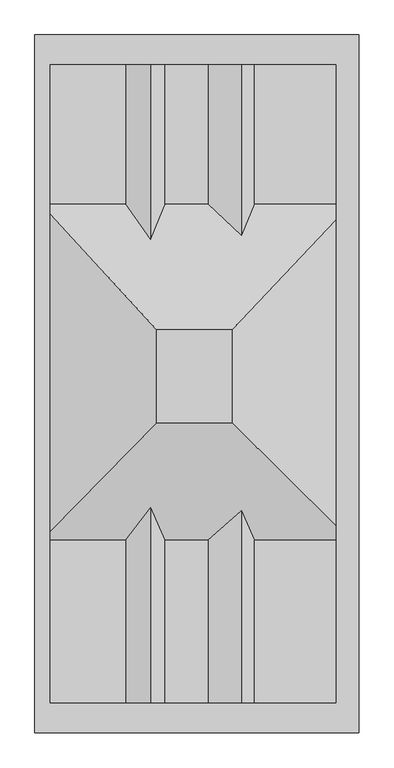
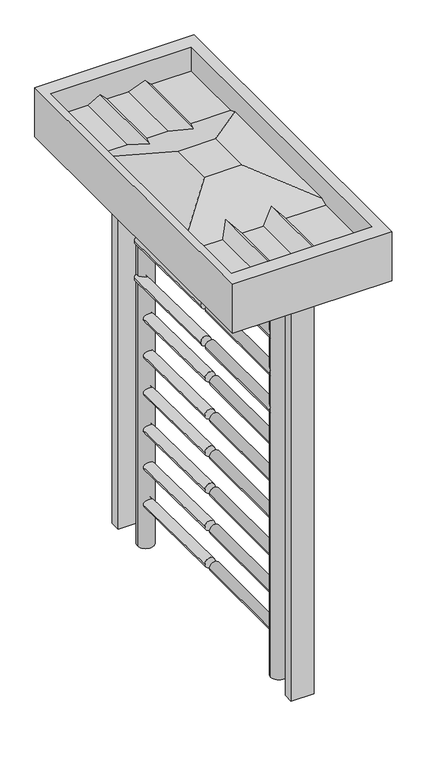
"""IFC4 building model written with IfcOpenShell, lengths in millimetres: proxy geometry."""

from ifc_helpers import new_model, si_unit, point, frame, frame_2d, origin, origin_with_axes, place, context, project, spatial, polyline, circle_curve, trimmed, segment, composite_curve, outline, extrude, source, transform, mapped, element, save
from ifc_brep_helpers import plane_surface, cylinder_surface, advanced_brep


def generic_models_b9513b3f(model_context):
    return source(origin(), model_context, "Body", "SolidModel", [
        extrude(outline(composite_curve([segment(trimmed(circle_curve(frame_2d((0.5937534, -554.7093835)), 40.0), [point((-39.4062466, -554.7093835))], [point((40.5937534, -554.7093835))], False, "CARTESIAN"), True, "CONTINUOUS"), segment(trimmed(circle_curve(frame_2d((0.5937534, -554.7093835)), 40.0), [point((40.5937534, -554.7093835))], [point((-39.4062466, -554.7093835))], False, "CARTESIAN"), True, "CONTINUOUS")], self_intersect=False)), origin_with_axes(), (0.0, 0.0, 1.0), 2131.1831142),
        advanced_brep(
        [(-381.7345875, 830.0, 2043.2171828), (389.1548637, 830.0, 2043.2171828), (389.1548637, -829.3360015, 2043.2171828), (-381.7345875, -829.3360015, 2043.2171828), (-44.4062466, 554.7093835, 2043.2171828), (35.5937534, 554.7093835, 2043.2171828), (30.1482628, 759.3664601, 2170.6315169), (-72.2469654, 759.3664601, 2170.6315169), (-72.2469654, 428.2976288, 2170.6315169), (30.1482628, 428.2976288, 2170.6315169), (334.301319, 759.3664601, 2170.6315169), (141.0904765, 759.3664601, 2170.6315169), (141.0904765, 428.2976288, 2170.6315169), (334.301319, 428.2976288, 2170.6315169), (-166.0896514, 759.3664601, 2170.6315169), (-345.7318191, 759.3664601, 2170.6315169), (-345.7318191, 428.2976288, 2170.6315169), (-166.0896514, 428.2976288, 2170.6315169), (141.0904765, -757.2735048, 2170.6315169), (334.301319, -757.2735048, 2170.6315169), (334.301319, -371.7023712, 2170.6315169), (141.0904765, -371.7023712, 2170.6315169), (-72.2469654, -757.2735048, 2170.6315169), (30.1482628, -757.2735048, 2170.6315169), (30.1482628, -371.7023712, 2170.6315169), (-72.2469654, -371.7023712, 2170.6315169), (-345.7318191, -757.2735048, 2170.6315169), (-166.0896514, -757.2735048, 2170.6315169), (-166.0896514, -371.7023712, 2170.6315169), (-345.7318191, -371.7023712, 2170.6315169), (-44.4062466, 554.7093835, 0.0), (35.5937534, 554.7093835, 0.0), (-381.7345875, 830.0, 2293.7454585), (389.1548637, 830.0, 2293.7454585), (389.1548637, -829.3360015, 2293.7454585), (-381.7345875, -829.3360015, 2293.7454585), (-345.7318191, 759.3664601, 2293.7454585), (-345.7318191, -757.2735048, 2293.7454585), (-345.7318191, -350.0629989, 2180.1372213), (-345.7318191, 405.1548387, 2180.1372213), (334.301319, 759.3664601, 2293.7454585), (334.301319, 390.5686753, 2186.1283639), (334.301319, -336.4243917, 2186.1283639), (334.301319, -757.2735048, 2293.7454585), (-106.5957724, 759.3664601, 2204.980324), (-106.5957724, 344.6712924, 2204.980324), (-106.5957724, -757.2735048, 2204.980324), (-106.5957724, -293.5086259, 2204.980324), (110.3166977, 759.3664601, 2201.4052958), (110.3166977, 353.375132, 2201.4052958), (110.3166977, -757.2735048, 2201.4052958), (110.3166977, -301.6470408, 2201.4052958), (87.5853106, 128.5618074, 2293.7454585), (-92.4146894, 128.5618074, 2293.7454585), (-92.4146894, -91.4381926, 2293.7454585), (87.5853106, -91.4381926, 2293.7454585)],
        [
            (0, 1),
            (1, 2),
            (2, 3),
            (3, 0),
            (4, 5, circle_curve(frame((-4.4062466, 554.7093835, 2043.2171828), z_axis=(0.0, 0.0, 1.0), x_axis=(1.0, 0.0, 0.0)), 40.0)),
            (5, 4, circle_curve(frame((-4.4062466, 554.7093835, 2043.2171828), z_axis=(0.0, 0.0, 1.0), x_axis=(1.0, 0.0, 0.0)), 40.0)),
            (6, 7),
            (7, 8),
            (8, 9),
            (9, 6),
            (10, 11),
            (11, 12),
            (12, 13),
            (13, 10),
            (14, 15),
            (15, 16),
            (16, 17),
            (17, 14),
            (18, 19),
            (19, 20),
            (20, 21),
            (21, 18),
            (22, 23),
            (23, 24),
            (24, 25),
            (25, 22),
            (26, 27),
            (27, 28),
            (28, 29),
            (29, 26),
            (30, 31, circle_curve(frame((-4.4062466, 554.7093835, 0.0), z_axis=(0.0, 0.0, -1.0), x_axis=(1.0, 0.0, 0.0)), 40.0)),
            (31, 30, circle_curve(frame((-4.4062466, 554.7093835, 0.0), z_axis=(0.0, 0.0, -1.0), x_axis=(1.0, 0.0, 0.0)), 40.0)),
            (31, 5),
            (4, 30),
            (0, 32),
            (32, 33),
            (33, 1),
            (2, 34),
            (34, 35),
            (35, 3),
            (15, 36),
            (36, 37),
            (37, 26),
            (29, 38),
            (38, 39),
            (39, 16),
            (40, 10),
            (13, 41),
            (41, 42),
            (42, 20),
            (19, 43),
            (43, 40),
            (32, 35),
            (34, 33),
            (36, 40),
            (43, 37),
            (44, 14),
            (17, 45),
            (45, 44),
            (27, 46),
            (46, 47),
            (47, 28),
            (7, 44),
            (45, 8),
            (46, 22),
            (25, 47),
            (48, 6),
            (9, 49),
            (49, 48),
            (23, 50),
            (50, 51),
            (51, 24),
            (11, 48),
            (49, 12),
            (50, 18),
            (21, 51),
            (52, 53),
            (53, 54),
            (54, 55),
            (55, 52),
            (52, 41),
            (39, 53),
            (38, 54),
            (42, 55),
        ],
        [
            plane_surface(frame((-2.4146894, 18.5618074, 2043.2171828), z_axis=(0.0, 0.0, -1.0), x_axis=(-1.0, 0.0, 0.0))),
            plane_surface(frame((1.4506487, 28.2976288, 2170.6315169), z_axis=(0.0, 0.0, 1.0), x_axis=(-1.0, 0.0, 0.0))),
            plane_surface(frame((35.5937534, 554.7093835, 0.0), z_axis=(0.0, 0.0, -1.0), x_axis=(0.0, -1.0, 0.0))),
            cylinder_surface(frame((-4.4062466, 554.7093835, 0.0), z_axis=(0.0, 0.0, 1.0), x_axis=(1.0, 0.0, 0.0)), 40.0),
            plane_surface(frame((-345.7318191, 830.0, 2206.2197665), z_axis=(0.0, 1.0, 0.0), x_axis=(0.0, 0.0, -1.0))),
            plane_surface(frame((-345.7318191, -829.3360015, 2206.2197665), z_axis=(0.0, -1.0, 0.0), x_axis=(0.0, 0.0, 1.0))),
            plane_surface(frame((-345.7318191, 830.0, 2293.7454585), z_axis=(1.0, 0.0, 0.0), x_axis=(0.0, -1.0, 0.0))),
            plane_surface(frame((334.301319, 830.0, 2170.6315169), z_axis=(-1.0, 0.0, 0.0), x_axis=(0.0, -1.0, 0.0))),
            plane_surface(frame((334.301319, 830.0, 2293.7454585), z_axis=(0.0, 0.0, 1.0), x_axis=(0.0, -1.0, 0.0))),
            plane_surface(frame((389.1548637, 830.0, 2293.7454585), z_axis=(1.0, 0.0, 0.0), x_axis=(0.0, -1.0, 0.0))),
            plane_surface(frame((-381.7345875, 830.0, 2043.2171828), z_axis=(-1.0, 0.0, 0.0), x_axis=(0.0, -1.0, 0.0))),
            plane_surface(frame((-166.0896514, 830.0, 2170.6315169), z_axis=(-0.5000000000000061, 0.0, 0.8660254037844352), x_axis=(0.0, -1.0, 0.0))),
            plane_surface(frame((-106.5957724, 830.0, 2204.980324), z_axis=(0.7071067811865477, 0.0, 0.7071067811865474), x_axis=(0.0, -1.0, 0.0))),
            plane_surface(frame((30.1482628, 830.0, 2170.6315169), z_axis=(-0.3583679495453043, 0.0, 0.9335804264972002), x_axis=(0.0, -1.0, 0.0))),
            plane_surface(frame((110.3166977, 830.0, 2201.4052958), z_axis=(0.7071067811865452, 0.0, 0.7071067811865499), x_axis=(0.0, -1.0, 0.0))),
            plane_surface(frame((-381.7345875, 759.3664601, 2293.7454585), z_axis=(0.0, -1.0, 0.0), x_axis=(0.0, 0.0, -1.0))),
            plane_surface(frame((389.1548637, -757.2735048, 2293.7454585), z_axis=(0.0, 1.0, 0.0), x_axis=(0.0, 0.0, -1.0))),
            plane_surface(frame((-2.4146894, 18.5618074, 2293.7454585), z_axis=(0.0, 0.0, 1.0), x_axis=(-1.0, 0.0, 0.0))),
            plane_surface(frame((1.4506487, 428.2976288, 2170.6315169), z_axis=(0.0, 0.37994039566450644, 0.9250109706064563), x_axis=(-1.0, 0.0, 0.0))),
            plane_surface(frame((-366.9270933, 28.2976288, 2170.6315169), z_axis=(-0.4092127068589752, 0.0, 0.9124390174390563), x_axis=(0.0, -1.0, 0.0))),
            plane_surface(frame((1.4506487, -371.7023712, 2170.6315169), z_axis=(0.0, -0.4021848729510521, 0.9155584787272445), x_axis=(1.0, 0.0, 0.0))),
            plane_surface(frame((369.8283908, 28.2976288, 2170.6315169), z_axis=(0.3998171186197385, 0.0, 0.9165949332494753), x_axis=(0.0, 1.0, 0.0))),
        ],
        [
            (0, [[1, 2, 3, 4], [5, 6]]),
            (1, [[7, 8, 9, 10]]),
            (1, [[11, 12, 13, 14]]),
            (1, [[15, 16, 17, 18]]),
            (1, [[19, 20, 21, 22]]),
            (1, [[23, 24, 25, 26]]),
            (1, [[27, 28, 29, 30]]),
            (2, [[31, 32]]),
            (3, [[-32, 33, -5, 34]]),
            (3, [[-31, -34, -6, -33]]),
            (4, [[-1, 35, 36, 37]]),
            (5, [[-3, 38, 39, 40]]),
            (6, [[41, 42, 43, -30, 44, 45, 46, -16]]),
            (7, [[47, -14, 48, 49, 50, -20, 51, 52]]),
            (8, [[-36, 53, -39, 54], [55, -52, 56, -42]]),
            (9, [[-2, -37, -54, -38]]),
            (10, [[-4, -40, -53, -35]]),
            (11, [[57, -18, 58, 59]]),
            (11, [[60, 61, 62, -28]]),
            (12, [[63, -59, 64, -8]]),
            (12, [[65, -26, 66, -61]]),
            (13, [[67, -10, 68, 69]]),
            (13, [[70, 71, 72, -24]]),
            (14, [[73, -69, 74, -12]]),
            (14, [[75, -22, 76, -71]]),
            (15, [[-55, -41, -15, -57, -63, -7, -67, -73, -11, -47]]),
            (16, [[-56, -51, -19, -75, -70, -23, -65, -60, -27, -43]]),
            (17, [[77, 78, 79, 80]]),
            (18, [[-77, 81, -48, -13, -74, -68, -9, -64, -58, -17, -46, 82]]),
            (19, [[-78, -82, -45, 83]]),
            (20, [[-79, -83, -44, -29, -62, -66, -25, -72, -76, -21, -50, 84]]),
            (21, [[-80, -84, -49, -81]]),
        ],
    ),
        extrude(outline(composite_curve([segment(trimmed(circle_curve(frame_2d((224.4880461, 0.3031369)), 25.0), [point((224.4880461, -24.6968631))], [point((224.4880461, 25.3031369))], False, "CARTESIAN"), True, "CONTINUOUS"), segment(trimmed(circle_curve(frame_2d((224.4880461, 0.3031369)), 25.0), [point((224.4880461, 25.3031369))], [point((224.4880461, -24.6968631))], False, "CARTESIAN"), True, "CONTINUOUS")], self_intersect=False)), frame((0.0, -552.4411324, 0.0), z_axis=(0.0, 1.0, 0.0), x_axis=(0.0, 0.0, 1.0)), (0.0, 0.0, 1.0), 536.5567625),
        extrude(outline(composite_curve([segment(trimmed(circle_curve(frame_2d((414.4880461, 0.3031369)), 25.0), [point((414.4880461, -24.6968631))], [point((414.4880461, 25.3031369))], False, "CARTESIAN"), True, "CONTINUOUS"), segment(trimmed(circle_curve(frame_2d((414.4880461, 0.3031369)), 25.0), [point((414.4880461, 25.3031369))], [point((414.4880461, -24.6968631))], False, "CARTESIAN"), True, "CONTINUOUS")], self_intersect=False)), frame((0.0, -552.4411324, 0.0), z_axis=(0.0, 1.0, 0.0), x_axis=(0.0, 0.0, 1.0)), (0.0, 0.0, 1.0), 536.5567625),
        extrude(outline(composite_curve([segment(trimmed(circle_curve(frame_2d((1934.4880461, -19.6968631)), 25.0), [point((1934.4880461, -44.6968631))], [point((1934.4880461, 5.3031369))], False, "CARTESIAN"), True, "CONTINUOUS"), segment(trimmed(circle_curve(frame_2d((1934.4880461, -19.6968631)), 25.0), [point((1934.4880461, 5.3031369))], [point((1934.4880461, -44.6968631))], False, "CARTESIAN"), True, "CONTINUOUS")], self_intersect=False)), frame((0.0, -552.4411324, 0.0), z_axis=(0.0, 1.0, 0.0), x_axis=(0.0, 0.0, 1.0)), (0.0, 0.0, 1.0), 536.5567625),
        extrude(outline(composite_curve([segment(trimmed(circle_curve(frame_2d((604.4880461, 0.3031369)), 25.0), [point((604.4880461, -24.6968631))], [point((604.4880461, 25.3031369))], False, "CARTESIAN"), True, "CONTINUOUS"), segment(trimmed(circle_curve(frame_2d((604.4880461, 0.3031369)), 25.0), [point((604.4880461, 25.3031369))], [point((604.4880461, -24.6968631))], False, "CARTESIAN"), True, "CONTINUOUS")], self_intersect=False)), frame((0.0, -552.4411324, 0.0), z_axis=(0.0, 1.0, 0.0), x_axis=(0.0, 0.0, 1.0)), (0.0, 0.0, 1.0), 536.5567625),
        extrude(outline(composite_curve([segment(trimmed(circle_curve(frame_2d((794.4880461, 0.3031369)), 25.0), [point((794.4880461, -24.6968631))], [point((794.4880461, 25.3031369))], False, "CARTESIAN"), True, "CONTINUOUS"), segment(trimmed(circle_curve(frame_2d((794.4880461, 0.3031369)), 25.0), [point((794.4880461, 25.3031369))], [point((794.4880461, -24.6968631))], False, "CARTESIAN"), True, "CONTINUOUS")], self_intersect=False)), frame((0.0, -552.4411324, 0.0), z_axis=(0.0, 1.0, 0.0), x_axis=(0.0, 0.0, 1.0)), (0.0, 0.0, 1.0), 536.5567625),
        extrude(outline(composite_curve([segment(trimmed(circle_curve(frame_2d((984.4880461, 0.3031369)), 25.0), [point((984.4880461, -24.6968631))], [point((984.4880461, 25.3031369))], False, "CARTESIAN"), True, "CONTINUOUS"), segment(trimmed(circle_curve(frame_2d((984.4880461, 0.3031369)), 25.0), [point((984.4880461, 25.3031369))], [point((984.4880461, -24.6968631))], False, "CARTESIAN"), True, "CONTINUOUS")], self_intersect=False)), frame((0.0, -552.4411324, 0.0), z_axis=(0.0, 1.0, 0.0), x_axis=(0.0, 0.0, 1.0)), (0.0, 0.0, 1.0), 536.5567625),
        extrude(outline(composite_curve([segment(trimmed(circle_curve(frame_2d((1174.4880461, 0.3031369)), 25.0), [point((1174.4880461, -24.6968631))], [point((1174.4880461, 25.3031369))], False, "CARTESIAN"), True, "CONTINUOUS"), segment(trimmed(circle_curve(frame_2d((1174.4880461, 0.3031369)), 25.0), [point((1174.4880461, 25.3031369))], [point((1174.4880461, -24.6968631))], False, "CARTESIAN"), True, "CONTINUOUS")], self_intersect=False)), frame((0.0, -552.4411324, 0.0), z_axis=(0.0, 1.0, 0.0), x_axis=(0.0, 0.0, 1.0)), (0.0, 0.0, 1.0), 536.5567625),
        extrude(outline(composite_curve([segment(trimmed(circle_curve(frame_2d((1364.4880461, -19.6968631)), 25.0), [point((1364.4880461, -44.6968631))], [point((1364.4880461, 5.3031369))], False, "CARTESIAN"), True, "CONTINUOUS"), segment(trimmed(circle_curve(frame_2d((1364.4880461, -19.6968631)), 25.0), [point((1364.4880461, 5.3031369))], [point((1364.4880461, -44.6968631))], False, "CARTESIAN"), True, "CONTINUOUS")], self_intersect=False)), frame((0.0, -552.4411324, 0.0), z_axis=(0.0, 1.0, 0.0), x_axis=(0.0, 0.0, 1.0)), (0.0, 0.0, 1.0), 536.5567625),
        extrude(outline(composite_curve([segment(trimmed(circle_curve(frame_2d((1554.4880461, -19.6968631)), 25.0), [point((1554.4880461, -44.6968631))], [point((1554.4880461, 5.3031369))], False, "CARTESIAN"), True, "CONTINUOUS"), segment(trimmed(circle_curve(frame_2d((1554.4880461, -19.6968631)), 25.0), [point((1554.4880461, 5.3031369))], [point((1554.4880461, -44.6968631))], False, "CARTESIAN"), True, "CONTINUOUS")], self_intersect=False)), frame((0.0, -552.4411324, 0.0), z_axis=(0.0, 1.0, 0.0), x_axis=(0.0, 0.0, 1.0)), (0.0, 0.0, 1.0), 536.5567625),
        extrude(outline(composite_curve([segment(trimmed(circle_curve(frame_2d((1744.4880461, -19.6968631)), 25.0), [point((1744.4880461, -44.6968631))], [point((1744.4880461, 5.3031369))], False, "CARTESIAN"), True, "CONTINUOUS"), segment(trimmed(circle_curve(frame_2d((1744.4880461, -19.6968631)), 25.0), [point((1744.4880461, 5.3031369))], [point((1744.4880461, -44.6968631))], False, "CARTESIAN"), True, "CONTINUOUS")], self_intersect=False)), frame((0.0, -552.4411324, 0.0), z_axis=(0.0, 1.0, 0.0), x_axis=(0.0, 0.0, 1.0)), (0.0, 0.0, 1.0), 536.5567625),
        extrude(outline(composite_curve([segment(trimmed(circle_curve(frame_2d((0.0, -25.0)), 25.0), [point((0.0, -49.9999999))], [point((0.0, 0.0))], False, "CARTESIAN"), True, "CONTINUOUS"), segment(trimmed(circle_curve(frame_2d((0.0, -25.0)), 25.0), [point((0.0, 0.0))], [point((0.0, -49.9999999))], False, "CARTESIAN"), True, "CONTINUOUS")], self_intersect=False)), frame((-26.5994962, 19.9908326, 224.4880461), z_axis=(-0.012033804423546846, 0.9999275911540274, 0.0), x_axis=(0.0, 0.0, -1.0)), (0.0, 0.0, 1.0), 544.4642095),
        extrude(outline(composite_curve([segment(trimmed(circle_curve(frame_2d((0.0, -25.0)), 25.0), [point((0.0, -49.9999999))], [point((0.0, 0.0))], False, "CARTESIAN"), True, "CONTINUOUS"), segment(trimmed(circle_curve(frame_2d((0.0, -25.0)), 25.0), [point((0.0, 0.0))], [point((0.0, -49.9999999))], False, "CARTESIAN"), True, "CONTINUOUS")], self_intersect=False)), frame((-26.5994962, 19.9908326, 414.4880461), z_axis=(-0.012033804423546846, 0.9999275911540274, 0.0), x_axis=(0.0, 0.0, -1.0)), (0.0, 0.0, 1.0), 544.4642095),
        extrude(outline(composite_curve([segment(trimmed(circle_curve(frame_2d((0.0, -25.0)), 25.0), [point((0.0, -49.9999999))], [point((0.0, 0.0))], False, "CARTESIAN"), True, "CONTINUOUS"), segment(trimmed(circle_curve(frame_2d((0.0, -25.0)), 25.0), [point((0.0, 0.0))], [point((0.0, -49.9999999))], False, "CARTESIAN"), True, "CONTINUOUS")], self_intersect=False)), frame((-46.5994962, 19.9908326, 1934.4880461), z_axis=(-0.012033804423546846, 0.9999275911540274, 0.0), x_axis=(0.0, 0.0, -1.0)), (0.0, 0.0, 1.0), 544.2235334),
        extrude(outline(composite_curve([segment(trimmed(circle_curve(frame_2d((0.0, -25.0)), 25.0), [point((0.0, -49.9999999))], [point((0.0, 0.0))], False, "CARTESIAN"), True, "CONTINUOUS"), segment(trimmed(circle_curve(frame_2d((0.0, -25.0)), 25.0), [point((0.0, 0.0))], [point((0.0, -49.9999999))], False, "CARTESIAN"), True, "CONTINUOUS")], self_intersect=False)), frame((-26.5994962, 19.9908326, 604.4880461), z_axis=(-0.012033804423546846, 0.9999275911540274, 0.0), x_axis=(0.0, 0.0, -1.0)), (0.0, 0.0, 1.0), 544.4642095),
        extrude(outline(composite_curve([segment(trimmed(circle_curve(frame_2d((0.0, -25.0)), 25.0), [point((0.0, -49.9999999))], [point((0.0, 0.0))], False, "CARTESIAN"), True, "CONTINUOUS"), segment(trimmed(circle_curve(frame_2d((0.0, -25.0)), 25.0), [point((0.0, 0.0))], [point((0.0, -49.9999999))], False, "CARTESIAN"), True, "CONTINUOUS")], self_intersect=False)), frame((-26.5994962, 19.9908326, 794.4880461), z_axis=(-0.012033804423546846, 0.9999275911540274, 0.0), x_axis=(0.0, 0.0, -1.0)), (0.0, 0.0, 1.0), 544.4642095),
        extrude(outline(composite_curve([segment(trimmed(circle_curve(frame_2d((0.0, -25.0)), 25.0), [point((0.0, -49.9999999))], [point((0.0, 0.0))], False, "CARTESIAN"), True, "CONTINUOUS"), segment(trimmed(circle_curve(frame_2d((0.0, -25.0)), 25.0), [point((0.0, 0.0))], [point((0.0, -49.9999999))], False, "CARTESIAN"), True, "CONTINUOUS")], self_intersect=False)), frame((-26.5994962, 19.9908326, 984.4880461), z_axis=(-0.012033804423546846, 0.9999275911540274, 0.0), x_axis=(0.0, 0.0, -1.0)), (0.0, 0.0, 1.0), 544.4642095),
        extrude(outline(composite_curve([segment(trimmed(circle_curve(frame_2d((0.0, -25.0)), 25.0), [point((0.0, -49.9999999))], [point((0.0, 0.0))], False, "CARTESIAN"), True, "CONTINUOUS"), segment(trimmed(circle_curve(frame_2d((0.0, -25.0)), 25.0), [point((0.0, 0.0))], [point((0.0, -49.9999999))], False, "CARTESIAN"), True, "CONTINUOUS")], self_intersect=False)), frame((-26.5994962, 19.9908326, 1174.4880461), z_axis=(-0.012033804423546846, 0.9999275911540274, 0.0), x_axis=(0.0, 0.0, -1.0)), (0.0, 0.0, 1.0), 544.4642095),
        extrude(outline(composite_curve([segment(trimmed(circle_curve(frame_2d((0.0, -25.0)), 25.0), [point((0.0, -49.9999999))], [point((0.0, 0.0))], False, "CARTESIAN"), True, "CONTINUOUS"), segment(trimmed(circle_curve(frame_2d((0.0, -25.0)), 25.0), [point((0.0, 0.0))], [point((0.0, -49.9999999))], False, "CARTESIAN"), True, "CONTINUOUS")], self_intersect=False)), frame((-46.5994962, 19.9908326, 1364.4880461), z_axis=(-0.012033804423546846, 0.9999275911540274, 0.0), x_axis=(0.0, 0.0, -1.0)), (0.0, 0.0, 1.0), 544.2235334),
        extrude(outline(composite_curve([segment(trimmed(circle_curve(frame_2d((0.0, -25.0)), 25.0), [point((0.0, -49.9999999))], [point((0.0, 0.0))], False, "CARTESIAN"), True, "CONTINUOUS"), segment(trimmed(circle_curve(frame_2d((0.0, -25.0)), 25.0), [point((0.0, 0.0))], [point((0.0, -49.9999999))], False, "CARTESIAN"), True, "CONTINUOUS")], self_intersect=False)), frame((-46.5994962, 19.9908326, 1554.4880461), z_axis=(-0.012033804423546846, 0.9999275911540274, 0.0), x_axis=(0.0, 0.0, -1.0)), (0.0, 0.0, 1.0), 544.2235334),
        extrude(outline(composite_curve([segment(trimmed(circle_curve(frame_2d((0.0, -25.0)), 25.0), [point((0.0, -49.9999999))], [point((0.0, 0.0))], False, "CARTESIAN"), True, "CONTINUOUS"), segment(trimmed(circle_curve(frame_2d((0.0, -25.0)), 25.0), [point((0.0, 0.0))], [point((0.0, -49.9999999))], False, "CARTESIAN"), True, "CONTINUOUS")], self_intersect=False)), frame((-46.5994962, 19.9908326, 1744.4880461), z_axis=(-0.012033804423546846, 0.9999275911540274, 0.0), x_axis=(0.0, 0.0, -1.0)), (0.0, 0.0, 1.0), 544.2235334),
        extrude(outline(polyline([(-54.7092007, -750.0), (-52.9642258, -700.0304586), (56.2954766, -700.0304586), (58.0404514, -750.0), (-54.7092007, -750.0)])), origin_with_axes(), (0.0, 0.0, 1.0), 2131.1831142),
        extrude(outline(polyline([(-54.7092007, 750.0), (58.0404514, 750.0), (56.2954766, 700.0304586), (-52.9642258, 700.0304586), (-54.7092007, 750.0)])), origin_with_axes(), (0.0, 0.0, 1.0), 2131.1831142),
    ])


if __name__ == "__main__":
    model = new_model("IFC4")
    model_context = context("Model", 3, world=origin())
    ifc_project = project(units=[si_unit("LENGTHUNIT", "METRE", prefix="MILLI")], contexts=[model_context])
    site = spatial("IfcSite", under=ifc_project)
    building = spatial("IfcBuilding", under=site)
    placement = place(None, origin())
    generic_models_shape = generic_models_b9513b3f(model_context)
    element("IfcBuildingElementProxy", 1, Name="Generic Models", at=placement, inside=building, context=model_context, shape_type="MappedRepresentation", body=[
        mapped(generic_models_shape, transform((0.0, 0.0, 0.0), x_axis=(1.0, 0.0, 0.0), y_axis=(0.0, 1.0, 0.0), z_axis=(0.0, 0.0, 1.0))),
    ])
    save(model, "model.ifc")
